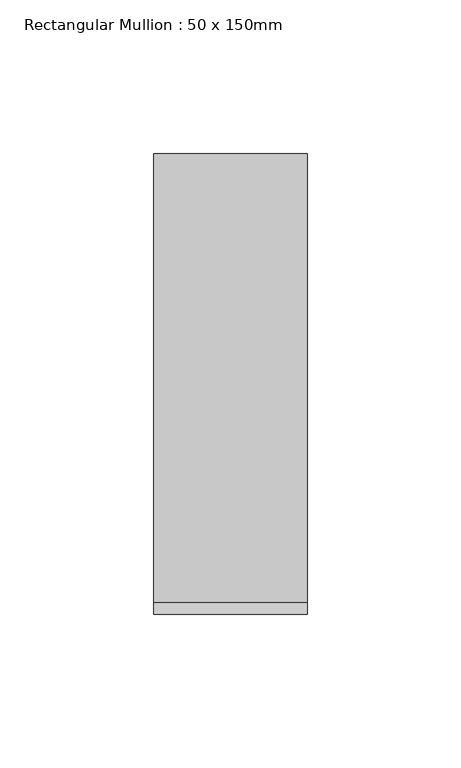
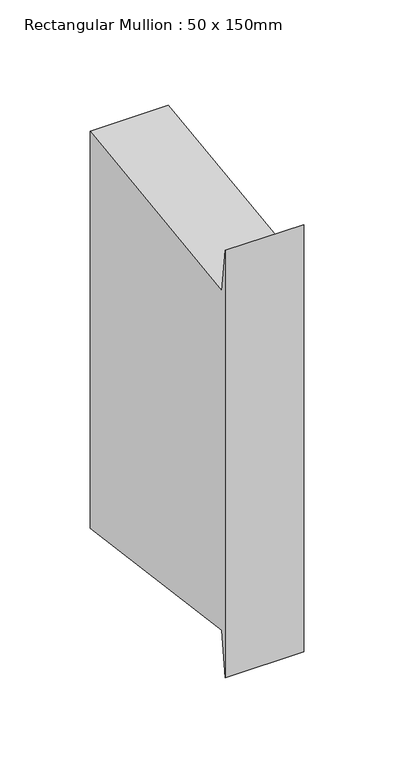
"""IFC4 building model written with IfcOpenShell, lengths in millimetres: member geometry, Rectangular Mullion : 50 x 150mm."""

import ifcopenshell
import ifcopenshell.guid

model = None  # the IFC model being written
_history = None  # IfcOwnerHistory: only IFC2X3 demands one
_inside = {}  # id of a spatial element -> (the spatial element, [elements in it])
_under = {}  # id of a project, library or spatial element -> (it, [spatial elements below it])
_declared = {}  # id of a project -> (the project, [libraries it declares])
_typed = {}  # id of a type object -> (the type object, [elements of that type])
_made_of = {}  # id of a material, layer set ... -> (it, [elements and type objects made of it])


def new_model(schema):
    """Start an empty IFC model of exactly this schema.

    Asked for "IFC4X3", IfcOpenShell would pick the latest addendum, in which some entities
    have other attributes; the version numbers below select the first issue.
    IFC2X3 requires an IfcOwnerHistory on every rooted entity: one is made here for all.
    """
    global model, _history
    if schema == "IFC4X3":
        model = ifcopenshell.file(schema_version=(4, 3, 0, 0))
    else:
        model = ifcopenshell.file(schema=schema)
    _inside.clear()
    _under.clear()
    _declared.clear()
    _typed.clear()
    _made_of.clear()
    _history = None
    if model.schema == "IFC2X3":
        org = make("IfcOrganization", Name="unknown")
        user = make(
            "IfcPersonAndOrganization",
            ThePerson=make("IfcPerson", FamilyName="unknown"),
            TheOrganization=org,
        )
        app = make(
            "IfcApplication",
            ApplicationDeveloper=org,
            Version="unknown",
            ApplicationFullName="unknown",
            ApplicationIdentifier="unknown",
        )
        _history = make(
            "IfcOwnerHistory",
            OwningUser=user,
            OwningApplication=app,
            ChangeAction="ADDED",
            CreationDate=0,
        )
    return model


def make(cls, **values):
    """One entity of the class cls with the attributes given. An attribute that is None is left unset."""
    return model.create_entity(
        cls, **{name: value for name, value in values.items() if value is not None}
    )


def rooted(cls, **values):
    """An entity with a GlobalId (a new one), such as an element, a storey or a relation."""
    return make(cls, GlobalId=ifcopenshell.guid.new(), OwnerHistory=_history, **values)


def si_unit(unit_type, name, prefix=None):
    """IfcSIUnit, for example si_unit("LENGTHUNIT", "METRE", prefix="MILLI")."""
    return make("IfcSIUnit", UnitType=unit_type, Prefix=prefix, Name=name)


def assignment(units):
    """IfcUnitAssignment: the units of a project."""
    return None if units is None else make("IfcUnitAssignment", Units=units)


def point(xyz):
    """IfcCartesianPoint."""
    return None if xyz is None else make("IfcCartesianPoint", Coordinates=xyz)


def direction(xyz):
    """IfcDirection."""
    return None if xyz is None else make("IfcDirection", DirectionRatios=xyz)


def frame(location, z_axis=None, x_axis=None):
    """IfcAxis2Placement3D, a coordinate frame: its origin and axes. An axis left out is left unset."""
    return make(
        "IfcAxis2Placement3D",
        Location=point(location),
        Axis=direction(z_axis),
        RefDirection=direction(x_axis),
    )


def origin():
    """The frame at (0, 0, 0) with its axes left unset."""
    return frame((0.0, 0.0, 0.0))


def place(relative_to, where):
    """IfcLocalPlacement: puts the frame where relative to a parent placement (None: the world)."""
    return make(
        "IfcLocalPlacement", PlacementRelTo=relative_to, RelativePlacement=where
    )


def context(
    kind, dimensions, precision=None, world=None, true_north=None, identifier=None
):
    """IfcGeometricRepresentationContext, for example the 3D "Model" context."""
    return make(
        "IfcGeometricRepresentationContext",
        ContextIdentifier=identifier,
        ContextType=kind,
        CoordinateSpaceDimension=dimensions,
        Precision=precision,
        WorldCoordinateSystem=world,
        TrueNorth=true_north,
    )


def project(units=None, contexts=None):
    """IfcProject with its units and contexts."""
    return rooted(
        "IfcProject",
        Name="project",
        RepresentationContexts=contexts,
        UnitsInContext=assignment(units),
    )


def spatial(cls, under=None, at=None, **own):
    """A site, building, storey or space (cls), placed at a placement, below another one or the project."""
    s = rooted(cls, ObjectPlacement=at, **own)
    if under is not None:
        _under.setdefault(under.id(), (under, []))[1].append(s)
    return s


def polyline(points):
    """IfcPolyline through the points."""
    return make("IfcPolyline", Points=[point(p) for p in points])


def outline(outer, holes=None, kind="AREA"):
    """IfcArbitraryClosedProfileDef: a profile drawn as a closed curve; with holes, ...WithVoids."""
    if holes is None:
        return make("IfcArbitraryClosedProfileDef", ProfileType=kind, OuterCurve=outer)
    return make(
        "IfcArbitraryProfileDefWithVoids",
        ProfileType=kind,
        OuterCurve=outer,
        InnerCurves=holes,
    )


def extrude(swept, where, along, depth):
    """IfcExtrudedAreaSolid: the profile swept, set in the frame where, extruded along a direction by depth."""
    return make(
        "IfcExtrudedAreaSolid",
        SweptArea=swept,
        Position=where,
        ExtrudedDirection=direction(along),
        Depth=depth,
    )


def shape(context_of_items, identifier, shape_type, items):
    """IfcShapeRepresentation: the items that make up one representation, for example the "Body"."""
    return make(
        "IfcShapeRepresentation",
        ContextOfItems=context_of_items,
        RepresentationIdentifier=identifier,
        RepresentationType=shape_type,
        Items=items,
    )


def source(mapping_origin, context_of_items, identifier, shape_type, items):
    """IfcRepresentationMap: a shape defined once, which mapped items show again and again."""
    return make(
        "IfcRepresentationMap",
        MappingOrigin=mapping_origin,
        MappedRepresentation=shape(context_of_items, identifier, shape_type, items),
    )


def transform(
    local_origin,
    x_axis=None,
    y_axis=None,
    z_axis=None,
    scale=None,
    scale2=None,
    scale3=None,
    uniform=True,
):
    """IfcCartesianTransformationOperator3D, or its non-uniform kind. x_axis, y_axis, z_axis: its Axis1, 2, 3."""
    if uniform:
        return make(
            "IfcCartesianTransformationOperator3D",
            Axis1=direction(x_axis),
            Axis2=direction(y_axis),
            LocalOrigin=point(local_origin),
            Scale=scale,
            Axis3=direction(z_axis),
        )
    return make(
        "IfcCartesianTransformationOperator3DnonUniform",
        Axis1=direction(x_axis),
        Axis2=direction(y_axis),
        LocalOrigin=point(local_origin),
        Scale=scale,
        Axis3=direction(z_axis),
        Scale2=scale2,
        Scale3=scale3,
    )


def mapped(mapping_source, mapping_target):
    """IfcMappedItem: shows the shape of a source again, moved by a transform."""
    return make(
        "IfcMappedItem", MappingSource=mapping_source, MappingTarget=mapping_target
    )


def made_of(thing, what):
    """Note that an element or type object is made of a material, layer set ...; save() writes the relation."""
    if what is not None:
        _made_of.setdefault(what.id(), (what, []))[1].append(thing)
    return thing


def element(
    cls,
    number,
    at=None,
    inside=None,
    cuts=None,
    type_object=None,
    material=None,
    context=None,
    identifier="Body",
    shape_type=None,
    held_by="IfcProductDefinitionShape",
    body=None,
    shapes=None,
    **own,
):
    """One element of the class cls, such as IfcWall. Its Tag is "e" and its number.

    at: its placement. inside: the storey or other place that contains it. cuts: it is an
    opening in that element (IfcRelVoidsElement). A single representation is given by context,
    identifier, shape_type and body (its items); several are given by shapes. held_by: the class
    of the entity that holds the representations. save() writes the other relations.
    """
    e = rooted(cls, Tag="e%d" % number, ObjectPlacement=at, **own)
    if body is not None:
        shapes = [shape(context, identifier, shape_type, body)]
    if shapes is not None:
        e.Representation = make(held_by, Representations=shapes)
    if inside is not None:
        _inside.setdefault(inside.id(), (inside, []))[1].append(e)
    if cuts is not None:
        rooted(
            "IfcRelVoidsElement", RelatingBuildingElement=cuts, RelatedOpeningElement=e
        )
    if type_object is not None:
        _typed.setdefault(type_object.id(), (type_object, []))[1].append(e)
    return made_of(e, material)


def aggregate(whole, parts):
    """IfcRelAggregates: a whole, such as a stair, and the parts it consists of."""
    return rooted("IfcRelAggregates", RelatingObject=whole, RelatedObjects=parts)


def save(model, path):
    """Write the relations noted so far, then the file.

    IfcRelAggregates (storeys below a building ...), IfcRelContainedInSpatialStructure (elements
    in a storey), IfcRelDefinesByType, IfcRelAssociatesMaterial and IfcRelDeclares: one each for
    every whole, place, type object, material and project.
    """
    for whole, parts in _under.values():
        aggregate(whole, parts)
    for where, things in _inside.values():
        rooted(
            "IfcRelContainedInSpatialStructure",
            RelatedElements=things,
            RelatingStructure=where,
        )
    for kind, things in _typed.values():
        rooted("IfcRelDefinesByType", RelatedObjects=things, RelatingType=kind)
    for what, things in _made_of.values():
        rooted("IfcRelAssociatesMaterial", RelatedObjects=things, RelatingMaterial=what)
    for by, libraries in _declared.values():
        rooted("IfcRelDeclares", RelatingContext=by, RelatedDefinitions=libraries)
    model.write(path)


def rectangular_mullion_50_x_150mm_8ad859ee(model_context):
    return source(origin(), model_context, "Body", "SweptSolid", [
        extrude(outline(polyline([(-75.0, 20.0164197), (-71.0328341, -9.7035513), (75.0, 9.7896196), (75.0, -258.9438204), (-71.0328341, -239.4506495), (-75.0, -269.1706206), (-75.0, 20.0164197)])), frame((-50.0, 0.0, 0.0), z_axis=(1.0, 0.0, 0.0), x_axis=(0.0, 1.0, 0.0)), (0.0, 0.0, 1.0), 50.0),
    ])


if __name__ == "__main__":
    model = new_model("IFC4")
    model_context = context("Model", 3, world=origin())
    ifc_project = project(units=[si_unit("LENGTHUNIT", "METRE", prefix="MILLI")], contexts=[model_context])
    site = spatial("IfcSite", under=ifc_project)
    building = spatial("IfcBuilding", under=site)
    placement = place(None, origin())
    rectangular_mullion_50_x_150mm_shape = rectangular_mullion_50_x_150mm_8ad859ee(model_context)
    element("IfcMember", 1, ObjectType="Rectangular Mullion : 50 x 150mm", at=placement, inside=building, context=model_context, shape_type="MappedRepresentation", body=[
        mapped(rectangular_mullion_50_x_150mm_shape, transform((0.0, 0.0, 0.0), x_axis=(1.0, 0.0, 0.0), y_axis=(0.0, 1.0, 0.0), z_axis=(0.0, 0.0, 1.0))),
    ])
    save(model, "model.ifc")
